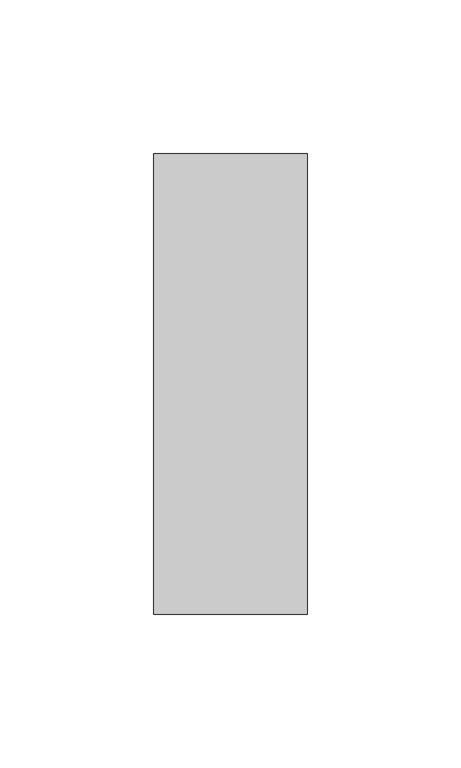
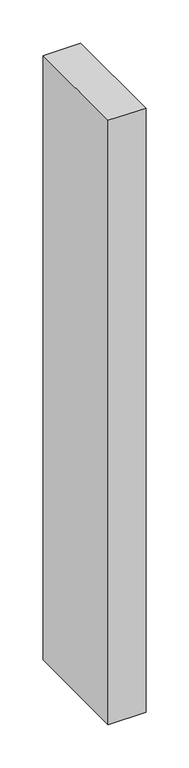
"""IFC4 building model written with IfcOpenShell, lengths in millimetres: member geometry."""

from ifc_helpers import new_model, si_unit, frame, origin, place, context, project, spatial, polyline, outline, extrude, source, transform, mapped, element, save


def member_f478ca5a(model_context):
    return source(origin(), model_context, "Body", "SweptSolid", [
        extrude(outline(polyline([(25.0, 75.0), (25.0, -75.0), (-25.0, -75.0), (-25.0, 75.0), (25.0, 75.0)])), frame((0.0, 0.0, -850.0), z_axis=(0.0, 0.0, 1.0), x_axis=(1.0, 0.0, 0.0)), (0.0, 0.0, 1.0), 850.0),
    ])


if __name__ == "__main__":
    model = new_model("IFC4")
    model_context = context("Model", 3, world=origin())
    ifc_project = project(units=[si_unit("LENGTHUNIT", "METRE", prefix="MILLI")], contexts=[model_context])
    site = spatial("IfcSite", under=ifc_project)
    building = spatial("IfcBuilding", under=site)
    placement = place(None, origin())
    member_shape = member_f478ca5a(model_context)
    element("IfcMember", 1, at=placement, inside=building, context=model_context, shape_type="MappedRepresentation", body=[
        mapped(member_shape, transform((0.0, 0.0, 0.0), x_axis=(1.0, 0.0, 0.0), y_axis=(0.0, 1.0, 0.0), z_axis=(0.0, 0.0, 1.0))),
    ])
    save(model, "model.ifc")
